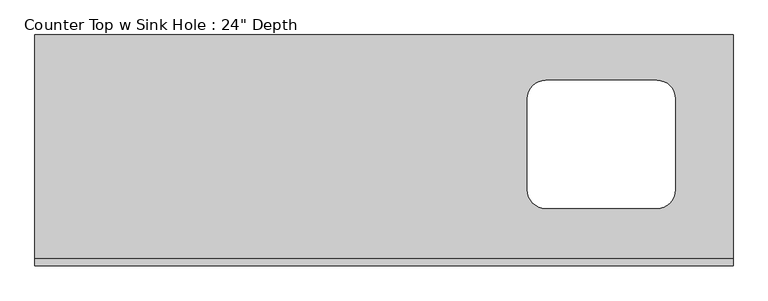
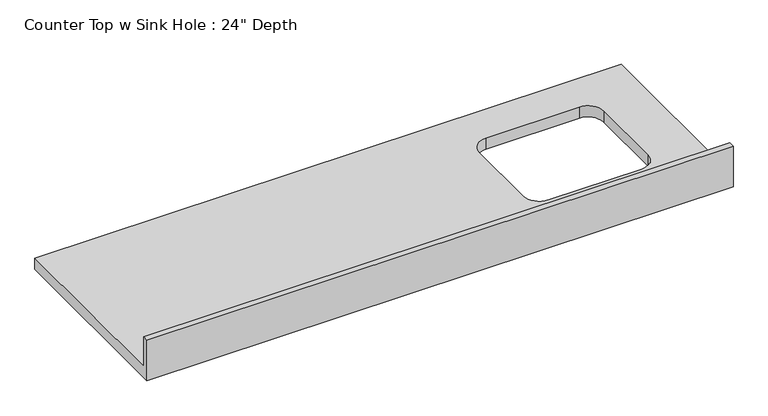
"""IFC4 building model written with IfcOpenShell, lengths in millimetres: furniture geometry."""

import ifcopenshell
import ifcopenshell.guid

model = None  # the IFC model being written
_history = None  # IfcOwnerHistory: only IFC2X3 demands one
_inside = {}  # id of a spatial element -> (the spatial element, [elements in it])
_under = {}  # id of a project, library or spatial element -> (it, [spatial elements below it])
_declared = {}  # id of a project -> (the project, [libraries it declares])
_typed = {}  # id of a type object -> (the type object, [elements of that type])
_made_of = {}  # id of a material, layer set ... -> (it, [elements and type objects made of it])


def new_model(schema):
    """Start an empty IFC model of exactly this schema.

    Asked for "IFC4X3", IfcOpenShell would pick the latest addendum, in which some entities
    have other attributes; the version numbers below select the first issue.
    IFC2X3 requires an IfcOwnerHistory on every rooted entity: one is made here for all.
    """
    global model, _history
    if schema == "IFC4X3":
        model = ifcopenshell.file(schema_version=(4, 3, 0, 0))
    else:
        model = ifcopenshell.file(schema=schema)
    _inside.clear()
    _under.clear()
    _declared.clear()
    _typed.clear()
    _made_of.clear()
    _history = None
    if model.schema == "IFC2X3":
        org = make("IfcOrganization", Name="unknown")
        user = make(
            "IfcPersonAndOrganization",
            ThePerson=make("IfcPerson", FamilyName="unknown"),
            TheOrganization=org,
        )
        app = make(
            "IfcApplication",
            ApplicationDeveloper=org,
            Version="unknown",
            ApplicationFullName="unknown",
            ApplicationIdentifier="unknown",
        )
        _history = make(
            "IfcOwnerHistory",
            OwningUser=user,
            OwningApplication=app,
            ChangeAction="ADDED",
            CreationDate=0,
        )
    return model


def make(cls, **values):
    """One entity of the class cls with the attributes given. An attribute that is None is left unset."""
    return model.create_entity(
        cls, **{name: value for name, value in values.items() if value is not None}
    )


def rooted(cls, **values):
    """An entity with a GlobalId (a new one), such as an element, a storey or a relation."""
    return make(cls, GlobalId=ifcopenshell.guid.new(), OwnerHistory=_history, **values)


def si_unit(unit_type, name, prefix=None):
    """IfcSIUnit, for example si_unit("LENGTHUNIT", "METRE", prefix="MILLI")."""
    return make("IfcSIUnit", UnitType=unit_type, Prefix=prefix, Name=name)


def assignment(units):
    """IfcUnitAssignment: the units of a project."""
    return None if units is None else make("IfcUnitAssignment", Units=units)


def point(xyz):
    """IfcCartesianPoint."""
    return None if xyz is None else make("IfcCartesianPoint", Coordinates=xyz)


def direction(xyz):
    """IfcDirection."""
    return None if xyz is None else make("IfcDirection", DirectionRatios=xyz)


def frame(location, z_axis=None, x_axis=None):
    """IfcAxis2Placement3D, a coordinate frame: its origin and axes. An axis left out is left unset."""
    return make(
        "IfcAxis2Placement3D",
        Location=point(location),
        Axis=direction(z_axis),
        RefDirection=direction(x_axis),
    )


def origin():
    """The frame at (0, 0, 0) with its axes left unset."""
    return frame((0.0, 0.0, 0.0))


def place(relative_to, where):
    """IfcLocalPlacement: puts the frame where relative to a parent placement (None: the world)."""
    return make(
        "IfcLocalPlacement", PlacementRelTo=relative_to, RelativePlacement=where
    )


def context(
    kind, dimensions, precision=None, world=None, true_north=None, identifier=None
):
    """IfcGeometricRepresentationContext, for example the 3D "Model" context."""
    return make(
        "IfcGeometricRepresentationContext",
        ContextIdentifier=identifier,
        ContextType=kind,
        CoordinateSpaceDimension=dimensions,
        Precision=precision,
        WorldCoordinateSystem=world,
        TrueNorth=true_north,
    )


def project(units=None, contexts=None):
    """IfcProject with its units and contexts."""
    return rooted(
        "IfcProject",
        Name="project",
        RepresentationContexts=contexts,
        UnitsInContext=assignment(units),
    )


def spatial(cls, under=None, at=None, **own):
    """A site, building, storey or space (cls), placed at a placement, below another one or the project."""
    s = rooted(cls, ObjectPlacement=at, **own)
    if under is not None:
        _under.setdefault(under.id(), (under, []))[1].append(s)
    return s


def polyline(points):
    """IfcPolyline through the points."""
    return make("IfcPolyline", Points=[point(p) for p in points])


def circle_curve(where, radius):
    """IfcCircle in the frame where."""
    return make("IfcCircle", Position=where, Radius=radius)


def shape(context_of_items, identifier, shape_type, items):
    """IfcShapeRepresentation: the items that make up one representation, for example the "Body"."""
    return make(
        "IfcShapeRepresentation",
        ContextOfItems=context_of_items,
        RepresentationIdentifier=identifier,
        RepresentationType=shape_type,
        Items=items,
    )


def source(mapping_origin, context_of_items, identifier, shape_type, items):
    """IfcRepresentationMap: a shape defined once, which mapped items show again and again."""
    return make(
        "IfcRepresentationMap",
        MappingOrigin=mapping_origin,
        MappedRepresentation=shape(context_of_items, identifier, shape_type, items),
    )


def transform(
    local_origin,
    x_axis=None,
    y_axis=None,
    z_axis=None,
    scale=None,
    scale2=None,
    scale3=None,
    uniform=True,
):
    """IfcCartesianTransformationOperator3D, or its non-uniform kind. x_axis, y_axis, z_axis: its Axis1, 2, 3."""
    if uniform:
        return make(
            "IfcCartesianTransformationOperator3D",
            Axis1=direction(x_axis),
            Axis2=direction(y_axis),
            LocalOrigin=point(local_origin),
            Scale=scale,
            Axis3=direction(z_axis),
        )
    return make(
        "IfcCartesianTransformationOperator3DnonUniform",
        Axis1=direction(x_axis),
        Axis2=direction(y_axis),
        LocalOrigin=point(local_origin),
        Scale=scale,
        Axis3=direction(z_axis),
        Scale2=scale2,
        Scale3=scale3,
    )


def mapped(mapping_source, mapping_target):
    """IfcMappedItem: shows the shape of a source again, moved by a transform."""
    return make(
        "IfcMappedItem", MappingSource=mapping_source, MappingTarget=mapping_target
    )


def made_of(thing, what):
    """Note that an element or type object is made of a material, layer set ...; save() writes the relation."""
    if what is not None:
        _made_of.setdefault(what.id(), (what, []))[1].append(thing)
    return thing


def element(
    cls,
    number,
    at=None,
    inside=None,
    cuts=None,
    type_object=None,
    material=None,
    context=None,
    identifier="Body",
    shape_type=None,
    held_by="IfcProductDefinitionShape",
    body=None,
    shapes=None,
    **own,
):
    """One element of the class cls, such as IfcWall. Its Tag is "e" and its number.

    at: its placement. inside: the storey or other place that contains it. cuts: it is an
    opening in that element (IfcRelVoidsElement). A single representation is given by context,
    identifier, shape_type and body (its items); several are given by shapes. held_by: the class
    of the entity that holds the representations. save() writes the other relations.
    """
    e = rooted(cls, Tag="e%d" % number, ObjectPlacement=at, **own)
    if body is not None:
        shapes = [shape(context, identifier, shape_type, body)]
    if shapes is not None:
        e.Representation = make(held_by, Representations=shapes)
    if inside is not None:
        _inside.setdefault(inside.id(), (inside, []))[1].append(e)
    if cuts is not None:
        rooted(
            "IfcRelVoidsElement", RelatingBuildingElement=cuts, RelatedOpeningElement=e
        )
    if type_object is not None:
        _typed.setdefault(type_object.id(), (type_object, []))[1].append(e)
    return made_of(e, material)


def aggregate(whole, parts):
    """IfcRelAggregates: a whole, such as a stair, and the parts it consists of."""
    return rooted("IfcRelAggregates", RelatingObject=whole, RelatedObjects=parts)


def save(model, path):
    """Write the relations noted so far, then the file.

    IfcRelAggregates (storeys below a building ...), IfcRelContainedInSpatialStructure (elements
    in a storey), IfcRelDefinesByType, IfcRelAssociatesMaterial and IfcRelDeclares: one each for
    every whole, place, type object, material and project.
    """
    for whole, parts in _under.values():
        aggregate(whole, parts)
    for where, things in _inside.values():
        rooted(
            "IfcRelContainedInSpatialStructure",
            RelatedElements=things,
            RelatingStructure=where,
        )
    for kind, things in _typed.values():
        rooted("IfcRelDefinesByType", RelatedObjects=things, RelatingType=kind)
    for what, things in _made_of.values():
        rooted("IfcRelAssociatesMaterial", RelatedObjects=things, RelatingMaterial=what)
    for by, libraries in _declared.values():
        rooted("IfcRelDeclares", RelatingContext=by, RelatedDefinitions=libraries)
    model.write(path)


def plane_surface(at):
    """IfcPlane: the flat surface through the origin of the frame at, square to its z axis."""
    return make("IfcPlane", Position=at)


def revolved_surface(curve, axis_point, axis_direction):
    """IfcSurfaceOfRevolution: the curve turned about the line through axis_point along axis_direction."""
    return make(
        "IfcSurfaceOfRevolution",
        SweptCurve=make("IfcArbitraryOpenProfileDef", ProfileType="CURVE", Curve=curve),
        AxisPosition=make("IfcAxis1Placement", Location=point(axis_point), Axis=direction(axis_direction)),
    )


def advanced_brep(points, edges, surfaces, faces):
    """IfcAdvancedBrep: a solid bounded by faces that lie on surfaces and meet in shared edges.

    An edge is (start, end): straight between two places in points (the first is 0);
    or (start, end, curve); or (start, end, curve, False) where it runs against its curve.
    A face is (place in surfaces, loops), or (place, loops, False) where it looks against
    its surface's normal. A loop lists edges by number (the first is 1), with a minus sign
    where the edge is run from its end to its start. The first loop is the outer one.
    """
    corners = [point(p) for p in points]
    vertices = [make("IfcVertexPoint", VertexGeometry=c) for c in corners]
    made = []
    for start, end, *more in edges:
        made.append(
            make(
                "IfcEdgeCurve",
                EdgeStart=vertices[start],
                EdgeEnd=vertices[end],
                EdgeGeometry=more[0] if more else make("IfcPolyline", Points=[corners[start], corners[end]]),
                SameSense=more[1] if len(more) > 1 else True,
            )
        )
    hull = []
    for where, loops, *sense in faces:
        bounds = []
        for j, loop in enumerate(loops):
            ring = [make("IfcOrientedEdge", EdgeElement=made[abs(k) - 1], Orientation=k > 0) for k in loop]
            bounds.append(
                make(
                    "IfcFaceOuterBound" if j == 0 else "IfcFaceBound",
                    Bound=make("IfcEdgeLoop", EdgeList=ring),
                    Orientation=True,
                )
            )
        hull.append(make("IfcAdvancedFace", Bounds=bounds, FaceSurface=surfaces[where], SameSense=sense[0] if sense else True))
    return make("IfcAdvancedBrep", Outer=make("IfcClosedShell", CfsFaces=hull))


def furniture_751f968a(model_context):
    return source(origin(), model_context, "Body", "AdvancedBrep", [
        advanced_brep(
        [(-1200.4622951, 635.0, 914.4), (-1200.4622951, 19.05, 914.4), (718.6385772, 19.05, 914.4), (718.6385772, 635.0, 914.4), (204.2885772, 158.1017627, 914.4), (153.4885772, 208.9017627, 914.4), (153.4885772, 459.8540342, 914.4), (204.2885772, 510.6540342, 914.4), (509.0885772, 510.6540342, 914.4), (559.8885772, 459.8540342, 914.4), (559.8885772, 208.9017627, 914.4), (509.0885772, 158.1017627, 914.4), (718.6385772, 0.0, 876.3), (-1200.4622951, 0.0, 876.3), (-1200.4622951, 635.0, 876.3), (718.6385772, 635.0, 876.3), (509.0885772, 158.1017627, 876.3), (559.8885772, 208.9017627, 876.3), (559.8885772, 459.8540342, 876.3), (509.0885772, 510.6540342, 876.3), (204.2885772, 510.6540342, 876.3), (153.4885772, 459.8540342, 876.3), (153.4885772, 208.9017627, 876.3), (204.2885772, 158.1017627, 876.3), (718.6385772, 0.0, 1016.0), (-1200.4622951, 0.0, 1016.0), (-1200.4622951, 19.05, 1016.0), (718.6385772, 19.05, 1016.0)],
        [
            (0, 1),
            (1, 2),
            (2, 3),
            (3, 0),
            (4, 5, circle_curve(frame((204.2885772, 208.9017627, 914.4), z_axis=(0.0, 0.0, -1.0), x_axis=(1.0, 0.0, 0.0)), 50.8)),
            (5, 6),
            (6, 7, circle_curve(frame((204.2885772, 459.8540342, 914.4), z_axis=(0.0, 0.0, -1.0), x_axis=(1.0, 0.0, 0.0)), 50.8)),
            (7, 8),
            (8, 9, circle_curve(frame((509.0885772, 459.8540342, 914.4), z_axis=(0.0, 0.0, -1.0), x_axis=(1.0, 0.0, 0.0)), 50.8)),
            (9, 10),
            (10, 11, circle_curve(frame((509.0885772, 208.9017627, 914.4), z_axis=(0.0, 0.0, -1.0), x_axis=(1.0, 0.0, 0.0)), 50.8)),
            (11, 4),
            (12, 13),
            (13, 14),
            (14, 15),
            (15, 12),
            (16, 17, circle_curve(frame((509.0885772, 208.9017627, 876.3), z_axis=(0.0, 0.0, 1.0), x_axis=(1.0, 0.0, 0.0)), 50.8)),
            (17, 18),
            (18, 19, circle_curve(frame((509.0885772, 459.8540342, 876.3), z_axis=(0.0, 0.0, 1.0), x_axis=(1.0, 0.0, 0.0)), 50.8)),
            (19, 20),
            (20, 21, circle_curve(frame((204.2885772, 459.8540342, 876.3), z_axis=(0.0, 0.0, 1.0), x_axis=(1.0, 0.0, 0.0)), 50.8)),
            (21, 22),
            (22, 23, circle_curve(frame((204.2885772, 208.9017627, 876.3), z_axis=(0.0, 0.0, 1.0), x_axis=(1.0, 0.0, 0.0)), 50.8)),
            (23, 16),
            (12, 24),
            (24, 25),
            (25, 13),
            (25, 26),
            (26, 1),
            (0, 14),
            (3, 15),
            (2, 27),
            (27, 24),
            (27, 26),
            (11, 16),
            (23, 4),
            (22, 5),
            (21, 6),
            (20, 7),
            (19, 8),
            (18, 9),
            (17, 10),
        ],
        [
            plane_surface(frame((-1200.4622951, 0.0, 914.4), z_axis=(0.0, 0.0, 1.0), x_axis=(-1.0, 0.0, 0.0))),
            plane_surface(frame((-1200.4622951, 0.0, 876.3), z_axis=(0.0, 0.0, -1.0), x_axis=(1.0, 0.0, 0.0))),
            plane_surface(frame((718.6385772, 0.0, 914.4), z_axis=(0.0, -1.0, 0.0), x_axis=(0.0, 0.0, -1.0))),
            plane_surface(frame((-1200.4622951, 0.0, 914.4), z_axis=(-1.0, 0.0, 0.0), x_axis=(0.0, 0.0, -1.0))),
            plane_surface(frame((-1200.4622951, 635.0, 914.4), z_axis=(0.0, 1.0, 0.0), x_axis=(0.0, 0.0, -1.0))),
            plane_surface(frame((718.6385772, 635.0, 914.4), z_axis=(1.0, 0.0, 0.0), x_axis=(0.0, 0.0, -1.0))),
            plane_surface(frame((-1200.4622951, 0.0, 1016.0), z_axis=(0.0, 0.0, 1.0), x_axis=(0.0, 1.0, 0.0))),
            plane_surface(frame((-1200.4622951, 19.05, 1016.0), z_axis=(0.0, 1.0, 0.0), x_axis=(0.0, 0.0, -1.0))),
            plane_surface(frame((509.0885772, 158.1017627, 914.4), z_axis=(0.0, 1.0, 0.0), x_axis=(0.0, 0.0, -1.0))),
            revolved_surface(polyline([(255.08857719999997, 208.9017627, 914.4), (255.08857719999997, 208.9017627, 876.3)]), (204.2885772, 208.9017627, 876.3), (0.0, 0.0, 1.0)),
            plane_surface(frame((153.4885772, 208.9017627, 914.4), z_axis=(1.0, 0.0, 0.0), x_axis=(0.0, 0.0, -1.0))),
            revolved_surface(polyline([(255.08857719999997, 459.8540342, 914.4), (255.08857719999997, 459.8540342, 876.3)]), (204.2885772, 459.8540342, 876.3), (0.0, 0.0, 1.0)),
            plane_surface(frame((204.2885772, 510.6540342, 914.4), z_axis=(0.0, -1.0, 0.0), x_axis=(0.0, 0.0, -1.0))),
            revolved_surface(polyline([(559.8885772, 459.8540342, 914.4), (559.8885772, 459.8540342, 876.3)]), (509.0885772, 459.8540342, 876.3), (0.0, 0.0, 1.0)),
            plane_surface(frame((559.8885772, 459.8540342, 914.4), z_axis=(-1.0, 0.0, 0.0), x_axis=(0.0, 0.0, -1.0))),
            revolved_surface(polyline([(559.8885772, 208.9017627, 914.4), (559.8885772, 208.9017627, 876.3)]), (509.0885772, 208.9017627, 876.3), (0.0, 0.0, 1.0)),
        ],
        [
            (0, [[1, 2, 3, 4], [5, 6, 7, 8, 9, 10, 11, 12]]),
            (1, [[13, 14, 15, 16], [17, 18, 19, 20, 21, 22, 23, 24]]),
            (2, [[25, 26, 27, -13]]),
            (3, [[-27, 28, 29, -1, 30, -14]]),
            (4, [[31, -15, -30, -4]]),
            (5, [[-31, -3, 32, 33, -25, -16]]),
            (6, [[-26, -33, 34, -28]]),
            (7, [[-32, -2, -29, -34]]),
            (8, [[-12, 35, -24, 36]]),
            (9, [[-23, 37, -5, -36]]),
            (10, [[-22, 38, -6, -37]]),
            (11, [[-21, 39, -7, -38]]),
            (12, [[-20, 40, -8, -39]]),
            (13, [[-19, 41, -9, -40]]),
            (14, [[-18, 42, -10, -41]]),
            (15, [[-11, -42, -17, -35]]),
        ],
    ),
    ])


if __name__ == "__main__":
    model = new_model("IFC4")
    model_context = context("Model", 3, world=origin())
    ifc_project = project(units=[si_unit("LENGTHUNIT", "METRE", prefix="MILLI")], contexts=[model_context])
    site = spatial("IfcSite", under=ifc_project)
    building = spatial("IfcBuilding", under=site)
    placement = place(None, origin())
    furniture_shape = furniture_751f968a(model_context)
    element("IfcFurniture", 1, ObjectType="Counter Top w Sink Hole : 24\" Depth", at=placement, inside=building, context=model_context, shape_type="MappedRepresentation", body=[
        mapped(furniture_shape, transform((0.0, 0.0, 0.0), x_axis=(1.0, 0.0, 0.0), y_axis=(0.0, 1.0, 0.0), z_axis=(0.0, 0.0, 1.0))),
    ])
    save(model, "model.ifc")
